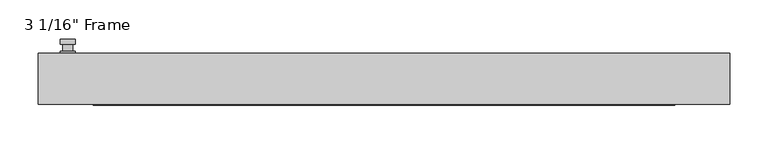
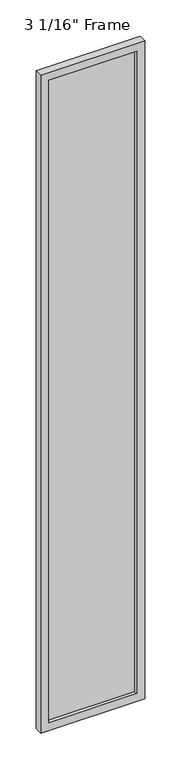
"""IFC4 building model written with IfcOpenShell, lengths in millimetres: plate geometry."""

from ifc_helpers import new_model, si_unit, frame, origin, place, context, project, spatial, polyline, circle_curve, outline, extrude, faceted_brep, source, transform, mapped, element, save
from ifc_brep_helpers import plane_surface, cylinder_surface, advanced_brep


def plate_f30485fd(model_context):
    return source(origin(), model_context, "Body", "SolidModel", [
        advanced_brep(
        [(-401.6375, 33.3375, 927.1), (-420.6875, 33.3375, 927.1), (-420.6875, 33.3375, 901.7), (-401.6375, 33.3375, 901.7), (-404.8125, 46.0375, 914.4), (-404.8125, 36.5125, 914.4), (-417.5125, 36.5125, 914.4), (-417.5125, 46.0375, 914.4), (-401.6375, 46.0375, 914.4), (-420.6875, 46.0375, 914.4), (-417.5084644, 46.0375, 825.2736467), (-404.8165356, 46.0375, 825.2736467), (-401.6375, 52.3875, 914.4), (-404.8165356, 52.3875, 825.2736467), (-417.5084644, 52.3875, 825.2736467), (-420.6875, 52.3875, 914.4), (-401.6375, 36.5125, 927.1), (-401.6375, 36.5125, 901.7), (-420.6875, 36.5125, 901.7), (-420.6875, 36.5125, 927.1)],
        [
            (0, 1, circle_curve(frame((-411.1625, 33.3375, 927.1), z_axis=(0.0, -1.0, 0.0), x_axis=(-1.0, 0.0, 0.0)), 9.525)),
            (1, 2),
            (2, 3, circle_curve(frame((-411.1625, 33.3375, 901.7), z_axis=(0.0, -1.0, 0.0), x_axis=(-1.0, 0.0, 0.0)), 9.525)),
            (3, 0),
            (4, 5),
            (5, 6, circle_curve(frame((-411.1625, 36.5125, 914.4), z_axis=(0.0, 1.0, 0.0), x_axis=(-1.0, 0.0, 0.0)), 6.35)),
            (6, 7),
            (7, 4, circle_curve(frame((-411.1625, 46.0375, 914.4), z_axis=(0.0, -1.0, 0.0), x_axis=(-1.0, 0.0, 0.0)), 6.35)),
            (6, 5, circle_curve(frame((-411.1625, 36.5125, 914.4), z_axis=(0.0, 1.0, 0.0), x_axis=(-1.0, 0.0, 0.0)), 6.35)),
            (4, 7, circle_curve(frame((-411.1625, 46.0375, 914.4), z_axis=(0.0, -1.0, 0.0), x_axis=(-1.0, 0.0, 0.0)), 6.35)),
            (8, 9, circle_curve(frame((-411.1625, 46.0375, 914.4), z_axis=(0.0, -1.0, 0.0), x_axis=(-1.0, 0.0, 0.0)), 9.525)),
            (9, 10),
            (10, 11, circle_curve(frame((-411.1625, 46.0375, 825.5), z_axis=(0.0, -1.0, 0.0), x_axis=(-1.0, 0.0, 0.0)), 6.35)),
            (11, 8),
            (12, 13),
            (13, 14, circle_curve(frame((-411.1625, 52.3875, 825.5), z_axis=(0.0, 1.0, 0.0), x_axis=(-1.0, 0.0, 0.0)), 6.35)),
            (14, 15),
            (15, 12, circle_curve(frame((-411.1625, 52.3875, 914.4), z_axis=(0.0, 1.0, 0.0), x_axis=(-1.0, 0.0, 0.0)), 9.525)),
            (11, 13),
            (12, 8),
            (10, 14),
            (9, 15),
            (16, 17),
            (17, 18, circle_curve(frame((-411.1625, 36.5125, 901.7), z_axis=(0.0, 1.0, 0.0), x_axis=(-1.0, 0.0, 0.0)), 9.525)),
            (18, 19),
            (19, 16, circle_curve(frame((-411.1625, 36.5125, 927.1), z_axis=(0.0, 1.0, 0.0), x_axis=(-1.0, 0.0, 0.0)), 9.525)),
            (3, 17),
            (16, 0),
            (2, 18),
            (1, 19),
        ],
        [
            plane_surface(frame((-417.5125, 33.3375, 914.4), z_axis=(0.0, -1.0, 0.0), x_axis=(0.0, 0.0, 1.0))),
            cylinder_surface(frame((-411.1625, 46.0375, 914.4), z_axis=(0.0, -1.0, 0.0), x_axis=(-1.0, 0.0, 0.0)), 6.35),
            plane_surface(frame((-401.6375, 46.0375, 914.4), z_axis=(0.0, -1.0000000000000002, 0.0), x_axis=(-0.03564619348186888, 0.0, -0.9993644724975235))),
            plane_surface(frame((-401.6375, 52.3875, 914.4), z_axis=(0.0, 1.0000000000000002, 0.0), x_axis=(0.03564619348186888, 0.0, 0.9993644724975235))),
            plane_surface(frame((-401.6375, 46.0375, 914.4), z_axis=(0.9993644724975235, 0.0, -0.03564619348186888), x_axis=(0.0, 1.0, 0.0))),
            cylinder_surface(frame((-411.1625, 52.3875, 825.5), z_axis=(0.0, -1.0, 0.0), x_axis=(-1.0, 0.0, 0.0)), 6.35),
            plane_surface(frame((-417.5084644, 46.0375, 825.2736467), z_axis=(-0.9993644724975228, 0.0, -0.03564619348188612), x_axis=(0.0, 1.0, 0.0))),
            cylinder_surface(frame((-411.1625, 52.3875, 914.4), z_axis=(0.0, -1.0, 0.0), x_axis=(-1.0, 0.0, 0.0)), 9.525),
            plane_surface(frame((-401.6375, 36.5125, 901.7), z_axis=(0.0, 1.0, 0.0), x_axis=(0.0, 0.0, 1.0))),
            plane_surface(frame((-401.6375, 33.3375, 927.1), z_axis=(1.0, 0.0, 0.0), x_axis=(0.0, 1.0, 0.0))),
            cylinder_surface(frame((-411.1625, 36.5125, 901.7), z_axis=(0.0, -1.0, 0.0), x_axis=(-1.0, 0.0, 0.0)), 9.525),
            plane_surface(frame((-420.6875, 33.3375, 901.7), z_axis=(-1.0, 0.0, 0.0), x_axis=(0.0, 1.0, 0.0))),
            cylinder_surface(frame((-411.1625, 36.5125, 927.1), z_axis=(0.0, -1.0, 0.0), x_axis=(-1.0, 0.0, 0.0)), 9.525),
        ],
        [
            (0, [[1, 2, 3, 4]]),
            (1, [[5, 6, 7, 8]]),
            (1, [[-7, 9, -5, 10]]),
            (2, [[11, 12, 13, 14], [-10, -8]]),
            (3, [[15, 16, 17, 18]]),
            (4, [[19, -15, 20, -14]]),
            (5, [[21, -16, -19, -13]]),
            (6, [[22, -17, -21, -12]]),
            (7, [[-20, -18, -22, -11]]),
            (8, [[23, 24, 25, 26], [-9, -6]]),
            (9, [[27, -23, 28, -4]]),
            (10, [[29, -24, -27, -3]]),
            (11, [[30, -25, -29, -2]]),
            (12, [[-28, -26, -30, -1]]),
        ],
    ),
        faceted_brep([(-449.2625, 33.3375, 0.0), (449.2625, 33.3375, 0.0), (449.2625, -33.3375, 0.0), (-449.2625, -33.3375, 0.0), (-449.2625, 33.3375, 5997.575), (449.2625, 33.3375, 5997.575), (-377.825, 33.3375, 5926.1375), (-377.825, 33.3375, 71.4375), (377.825, 33.3375, 71.4375), (377.825, 33.3375, 5926.1375), (-449.2625, -33.3375, 5997.575), (449.2625, -33.3375, 5997.575), (-377.825, -33.3375, 5926.1375), (377.825, -33.3375, 5926.1375), (377.825, -33.3375, 71.4375), (-377.825, -33.3375, 71.4375), (-371.475, -11.90625, 77.7875), (-371.475, -11.90625, 5919.7875), (384.175, -11.90625, 5932.4875), (384.175, -11.90625, 65.0875), (-384.175, -11.90625, 65.0875), (-384.175, -11.90625, 5932.4875), (371.475, -11.90625, 77.7875), (371.475, -11.90625, 5919.7875), (-384.175, 11.90625, 65.0875), (-384.175, 11.90625, 5932.4875), (384.175, 11.90625, 65.0875), (384.175, 11.90625, 5932.4875), (-371.475, 11.90625, 5919.7875), (371.475, 11.90625, 5919.7875), (371.475, 11.90625, 77.7875), (-371.475, 11.90625, 77.7875)], [[[0, 1, 2, 3]], [[0, 4, 5, 1], [6, 7, 8, 9]], [[3, 10, 4, 0]], [[2, 11, 10, 3], [12, 13, 14, 15]], [[12, 15, 16, 17]], [[18, 19, 20, 21], [17, 16, 22, 23]], [[20, 24, 25, 21]], [[25, 24, 26, 27], [28, 29, 30, 31]], [[28, 31, 7, 6]], [[4, 10, 11, 5]], [[12, 17, 23, 13]], [[21, 25, 27, 18]], [[9, 29, 28, 6]], [[5, 11, 2, 1]], [[23, 22, 14, 13]], [[26, 19, 18, 27]], [[9, 8, 30, 29]], [[7, 31, 30, 8]], [[19, 26, 24, 20]], [[16, 15, 14, 22]]]),
        extrude(outline(polyline([(384.175, 11.90625), (384.175, -11.90625), (-384.175, -11.90625), (-384.175, 11.90625), (384.175, 11.90625)])), frame((0.0, 0.0, 65.0875), z_axis=(0.0, 0.0, 1.0), x_axis=(1.0, 0.0, 0.0)), (0.0, 0.0, 1.0), 5867.4),
    ])


if __name__ == "__main__":
    model = new_model("IFC4")
    model_context = context("Model", 3, world=origin())
    ifc_project = project(units=[si_unit("LENGTHUNIT", "METRE", prefix="MILLI")], contexts=[model_context])
    site = spatial("IfcSite", under=ifc_project)
    building = spatial("IfcBuilding", under=site)
    placement = place(None, origin())
    plate_shape = plate_f30485fd(model_context)
    element("IfcPlate", 1, ObjectType="3 1/16\" Frame", at=placement, inside=building, context=model_context, shape_type="MappedRepresentation", body=[
        mapped(plate_shape, transform((0.0, 0.0, 0.0), x_axis=(1.0, 0.0, 0.0), y_axis=(0.0, 1.0, 0.0), z_axis=(0.0, 0.0, 1.0))),
    ])
    save(model, "model.ifc")
